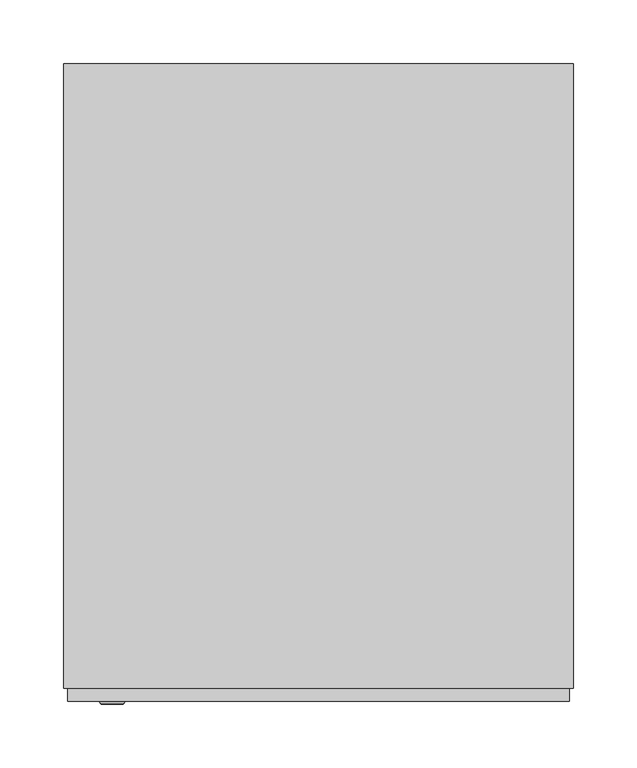
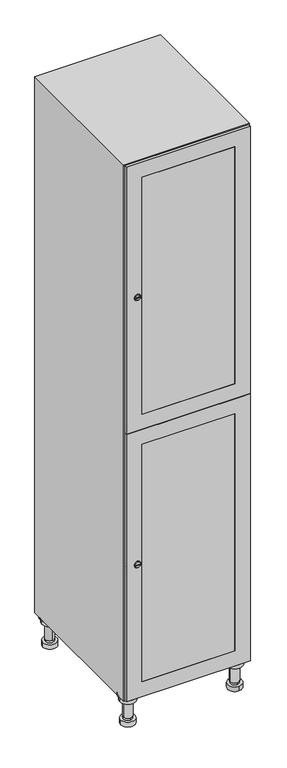
"""IFC4 building model written with IfcOpenShell, lengths in millimetres: furniture geometry."""

import ifcopenshell
import ifcopenshell.guid

model = None  # the IFC model being written
_history = None  # IfcOwnerHistory: only IFC2X3 demands one
_inside = {}  # id of a spatial element -> (the spatial element, [elements in it])
_under = {}  # id of a project, library or spatial element -> (it, [spatial elements below it])
_declared = {}  # id of a project -> (the project, [libraries it declares])
_typed = {}  # id of a type object -> (the type object, [elements of that type])
_made_of = {}  # id of a material, layer set ... -> (it, [elements and type objects made of it])


def new_model(schema):
    """Start an empty IFC model of exactly this schema.

    Asked for "IFC4X3", IfcOpenShell would pick the latest addendum, in which some entities
    have other attributes; the version numbers below select the first issue.
    IFC2X3 requires an IfcOwnerHistory on every rooted entity: one is made here for all.
    """
    global model, _history
    if schema == "IFC4X3":
        model = ifcopenshell.file(schema_version=(4, 3, 0, 0))
    else:
        model = ifcopenshell.file(schema=schema)
    _inside.clear()
    _under.clear()
    _declared.clear()
    _typed.clear()
    _made_of.clear()
    _history = None
    if model.schema == "IFC2X3":
        org = make("IfcOrganization", Name="unknown")
        user = make(
            "IfcPersonAndOrganization",
            ThePerson=make("IfcPerson", FamilyName="unknown"),
            TheOrganization=org,
        )
        app = make(
            "IfcApplication",
            ApplicationDeveloper=org,
            Version="unknown",
            ApplicationFullName="unknown",
            ApplicationIdentifier="unknown",
        )
        _history = make(
            "IfcOwnerHistory",
            OwningUser=user,
            OwningApplication=app,
            ChangeAction="ADDED",
            CreationDate=0,
        )
    return model


def make(cls, **values):
    """One entity of the class cls with the attributes given. An attribute that is None is left unset."""
    return model.create_entity(
        cls, **{name: value for name, value in values.items() if value is not None}
    )


def rooted(cls, **values):
    """An entity with a GlobalId (a new one), such as an element, a storey or a relation."""
    return make(cls, GlobalId=ifcopenshell.guid.new(), OwnerHistory=_history, **values)


def si_unit(unit_type, name, prefix=None):
    """IfcSIUnit, for example si_unit("LENGTHUNIT", "METRE", prefix="MILLI")."""
    return make("IfcSIUnit", UnitType=unit_type, Prefix=prefix, Name=name)


def assignment(units):
    """IfcUnitAssignment: the units of a project."""
    return None if units is None else make("IfcUnitAssignment", Units=units)


def point(xyz):
    """IfcCartesianPoint."""
    return None if xyz is None else make("IfcCartesianPoint", Coordinates=xyz)


def direction(xyz):
    """IfcDirection."""
    return None if xyz is None else make("IfcDirection", DirectionRatios=xyz)


def frame(location, z_axis=None, x_axis=None):
    """IfcAxis2Placement3D, a coordinate frame: its origin and axes. An axis left out is left unset."""
    return make(
        "IfcAxis2Placement3D",
        Location=point(location),
        Axis=direction(z_axis),
        RefDirection=direction(x_axis),
    )


def frame_2d(location, x_axis=None):
    """IfcAxis2Placement2D, a coordinate frame in the plane: its origin and x axis."""
    return make(
        "IfcAxis2Placement2D", Location=point(location), RefDirection=direction(x_axis)
    )


def origin():
    """The frame at (0, 0, 0) with its axes left unset."""
    return frame((0.0, 0.0, 0.0))


def place(relative_to, where):
    """IfcLocalPlacement: puts the frame where relative to a parent placement (None: the world)."""
    return make(
        "IfcLocalPlacement", PlacementRelTo=relative_to, RelativePlacement=where
    )


def context(
    kind, dimensions, precision=None, world=None, true_north=None, identifier=None
):
    """IfcGeometricRepresentationContext, for example the 3D "Model" context."""
    return make(
        "IfcGeometricRepresentationContext",
        ContextIdentifier=identifier,
        ContextType=kind,
        CoordinateSpaceDimension=dimensions,
        Precision=precision,
        WorldCoordinateSystem=world,
        TrueNorth=true_north,
    )


def project(units=None, contexts=None):
    """IfcProject with its units and contexts."""
    return rooted(
        "IfcProject",
        Name="project",
        RepresentationContexts=contexts,
        UnitsInContext=assignment(units),
    )


def spatial(cls, under=None, at=None, **own):
    """A site, building, storey or space (cls), placed at a placement, below another one or the project."""
    s = rooted(cls, ObjectPlacement=at, **own)
    if under is not None:
        _under.setdefault(under.id(), (under, []))[1].append(s)
    return s


def polyline(points):
    """IfcPolyline through the points."""
    return make("IfcPolyline", Points=[point(p) for p in points])


def circle_curve(where, radius):
    """IfcCircle in the frame where."""
    return make("IfcCircle", Position=where, Radius=radius)


def trimmed(basis, trim1, trim2, sense, master):
    """IfcTrimmedCurve: the piece of a basis curve between two trims."""
    return make(
        "IfcTrimmedCurve",
        BasisCurve=basis,
        Trim1=trim1,
        Trim2=trim2,
        SenseAgreement=sense,
        MasterRepresentation=master,
    )


def segment(curve, same_sense, transition):
    """IfcCompositeCurveSegment."""
    return make(
        "IfcCompositeCurveSegment",
        Transition=transition,
        SameSense=same_sense,
        ParentCurve=curve,
    )


def composite_curve(segments, self_intersect=None):
    """IfcCompositeCurve: segments joined end to end."""
    return make("IfcCompositeCurve", Segments=segments, SelfIntersect=self_intersect)


def outline(outer, holes=None, kind="AREA"):
    """IfcArbitraryClosedProfileDef: a profile drawn as a closed curve; with holes, ...WithVoids."""
    if holes is None:
        return make("IfcArbitraryClosedProfileDef", ProfileType=kind, OuterCurve=outer)
    return make(
        "IfcArbitraryProfileDefWithVoids",
        ProfileType=kind,
        OuterCurve=outer,
        InnerCurves=holes,
    )


def extrude(swept, where, along, depth):
    """IfcExtrudedAreaSolid: the profile swept, set in the frame where, extruded along a direction by depth."""
    return make(
        "IfcExtrudedAreaSolid",
        SweptArea=swept,
        Position=where,
        ExtrudedDirection=direction(along),
        Depth=depth,
    )


def faces_of(points, faces, orient=None, outer=None):
    """IfcFace entities. A face is a list of loops; a loop is a list of indices into points, from 0.

    orient and outer hold one flag for each loop. By default every Orientation is true, the
    first loop of a face is its IfcFaceOuterBound and the others are IfcFaceBound.
    """
    made = []
    for i, loops in enumerate(faces):
        bounds = []
        for j, loop in enumerate(loops):
            is_outer = j == 0 if outer is None else outer[i][j]
            bounds.append(
                make(
                    "IfcFaceOuterBound" if is_outer else "IfcFaceBound",
                    Bound=make("IfcPolyLoop", Polygon=[points[k] for k in loop]),
                    Orientation=True if orient is None else orient[i][j],
                )
            )
        made.append(make("IfcFace", Bounds=bounds))
    return made


def faceted_brep(points, faces, orient=None, outer=None, voids=None):
    """IfcFacetedBrep: a solid bounded by flat faces; with voids (closed shells), ...WithVoids."""
    shared = [point(p) for p in points]
    hull = make("IfcClosedShell", CfsFaces=faces_of(shared, faces, orient, outer))
    if voids is None:
        return make("IfcFacetedBrep", Outer=hull)
    return make(
        "IfcFacetedBrepWithVoids",
        Outer=hull,
        Voids=[
            make(cls, CfsFaces=faces_of(shared, fs, o, b)) for cls, fs, o, b in voids
        ],
    )


def shape(context_of_items, identifier, shape_type, items):
    """IfcShapeRepresentation: the items that make up one representation, for example the "Body"."""
    return make(
        "IfcShapeRepresentation",
        ContextOfItems=context_of_items,
        RepresentationIdentifier=identifier,
        RepresentationType=shape_type,
        Items=items,
    )


def source(mapping_origin, context_of_items, identifier, shape_type, items):
    """IfcRepresentationMap: a shape defined once, which mapped items show again and again."""
    return make(
        "IfcRepresentationMap",
        MappingOrigin=mapping_origin,
        MappedRepresentation=shape(context_of_items, identifier, shape_type, items),
    )


def transform(
    local_origin,
    x_axis=None,
    y_axis=None,
    z_axis=None,
    scale=None,
    scale2=None,
    scale3=None,
    uniform=True,
):
    """IfcCartesianTransformationOperator3D, or its non-uniform kind. x_axis, y_axis, z_axis: its Axis1, 2, 3."""
    if uniform:
        return make(
            "IfcCartesianTransformationOperator3D",
            Axis1=direction(x_axis),
            Axis2=direction(y_axis),
            LocalOrigin=point(local_origin),
            Scale=scale,
            Axis3=direction(z_axis),
        )
    return make(
        "IfcCartesianTransformationOperator3DnonUniform",
        Axis1=direction(x_axis),
        Axis2=direction(y_axis),
        LocalOrigin=point(local_origin),
        Scale=scale,
        Axis3=direction(z_axis),
        Scale2=scale2,
        Scale3=scale3,
    )


def mapped(mapping_source, mapping_target):
    """IfcMappedItem: shows the shape of a source again, moved by a transform."""
    return make(
        "IfcMappedItem", MappingSource=mapping_source, MappingTarget=mapping_target
    )


def made_of(thing, what):
    """Note that an element or type object is made of a material, layer set ...; save() writes the relation."""
    if what is not None:
        _made_of.setdefault(what.id(), (what, []))[1].append(thing)
    return thing


def element(
    cls,
    number,
    at=None,
    inside=None,
    cuts=None,
    type_object=None,
    material=None,
    context=None,
    identifier="Body",
    shape_type=None,
    held_by="IfcProductDefinitionShape",
    body=None,
    shapes=None,
    **own,
):
    """One element of the class cls, such as IfcWall. Its Tag is "e" and its number.

    at: its placement. inside: the storey or other place that contains it. cuts: it is an
    opening in that element (IfcRelVoidsElement). A single representation is given by context,
    identifier, shape_type and body (its items); several are given by shapes. held_by: the class
    of the entity that holds the representations. save() writes the other relations.
    """
    e = rooted(cls, Tag="e%d" % number, ObjectPlacement=at, **own)
    if body is not None:
        shapes = [shape(context, identifier, shape_type, body)]
    if shapes is not None:
        e.Representation = make(held_by, Representations=shapes)
    if inside is not None:
        _inside.setdefault(inside.id(), (inside, []))[1].append(e)
    if cuts is not None:
        rooted(
            "IfcRelVoidsElement", RelatingBuildingElement=cuts, RelatedOpeningElement=e
        )
    if type_object is not None:
        _typed.setdefault(type_object.id(), (type_object, []))[1].append(e)
    return made_of(e, material)


def aggregate(whole, parts):
    """IfcRelAggregates: a whole, such as a stair, and the parts it consists of."""
    return rooted("IfcRelAggregates", RelatingObject=whole, RelatedObjects=parts)


def save(model, path):
    """Write the relations noted so far, then the file.

    IfcRelAggregates (storeys below a building ...), IfcRelContainedInSpatialStructure (elements
    in a storey), IfcRelDefinesByType, IfcRelAssociatesMaterial and IfcRelDeclares: one each for
    every whole, place, type object, material and project.
    """
    for whole, parts in _under.values():
        aggregate(whole, parts)
    for where, things in _inside.values():
        rooted(
            "IfcRelContainedInSpatialStructure",
            RelatedElements=things,
            RelatingStructure=where,
        )
    for kind, things in _typed.values():
        rooted("IfcRelDefinesByType", RelatedObjects=things, RelatingType=kind)
    for what, things in _made_of.values():
        rooted("IfcRelAssociatesMaterial", RelatedObjects=things, RelatingMaterial=what)
    for by, libraries in _declared.values():
        rooted("IfcRelDeclares", RelatingContext=by, RelatedDefinitions=libraries)
    model.write(path)


def plane_surface(at):
    """IfcPlane: the flat surface through the origin of the frame at, square to its z axis."""
    return make("IfcPlane", Position=at)


def cylinder_surface(at, radius):
    """IfcCylindricalSurface: all points at the distance radius from the z axis of the frame at."""
    return make("IfcCylindricalSurface", Position=at, Radius=radius)


def revolved_surface(curve, axis_point, axis_direction):
    """IfcSurfaceOfRevolution: the curve turned about the line through axis_point along axis_direction."""
    return make(
        "IfcSurfaceOfRevolution",
        SweptCurve=make("IfcArbitraryOpenProfileDef", ProfileType="CURVE", Curve=curve),
        AxisPosition=make("IfcAxis1Placement", Location=point(axis_point), Axis=direction(axis_direction)),
    )


def advanced_brep(points, edges, surfaces, faces):
    """IfcAdvancedBrep: a solid bounded by faces that lie on surfaces and meet in shared edges.

    An edge is (start, end): straight between two places in points (the first is 0);
    or (start, end, curve); or (start, end, curve, False) where it runs against its curve.
    A face is (place in surfaces, loops), or (place, loops, False) where it looks against
    its surface's normal. A loop lists edges by number (the first is 1), with a minus sign
    where the edge is run from its end to its start. The first loop is the outer one.
    """
    corners = [point(p) for p in points]
    vertices = [make("IfcVertexPoint", VertexGeometry=c) for c in corners]
    made = []
    for start, end, *more in edges:
        made.append(
            make(
                "IfcEdgeCurve",
                EdgeStart=vertices[start],
                EdgeEnd=vertices[end],
                EdgeGeometry=more[0] if more else make("IfcPolyline", Points=[corners[start], corners[end]]),
                SameSense=more[1] if len(more) > 1 else True,
            )
        )
    hull = []
    for where, loops, *sense in faces:
        bounds = []
        for j, loop in enumerate(loops):
            ring = [make("IfcOrientedEdge", EdgeElement=made[abs(k) - 1], Orientation=k > 0) for k in loop]
            bounds.append(
                make(
                    "IfcFaceOuterBound" if j == 0 else "IfcFaceBound",
                    Bound=make("IfcEdgeLoop", EdgeList=ring),
                    Orientation=True,
                )
            )
        hull.append(make("IfcAdvancedFace", Bounds=bounds, FaceSurface=surfaces[where], SameSense=sense[0] if sense else True))
    return make("IfcAdvancedBrep", Outer=make("IfcClosedShell", CfsFaces=hull))


def furniture_165c8200(model_context):
    return source(origin(), model_context, "Body", "SolidModel", [
        advanced_brep(
        [(170.0, -201.0, 22.0), (170.0, -201.5, 16.0), (170.0, -228.5, 16.0), (170.0, -229.0, 22.0), (156.0, -215.0, 22.0), (184.0, -215.0, 22.0), (170.0, -192.5, 16.0), (170.0, -237.5, 16.0), (170.0, -192.5, 0.0), (170.0, -237.5, 0.0), (184.0, -215.0, 78.0), (156.0, -215.0, 78.0), (195.0, -215.0, 78.0), (145.0, -215.0, 78.0), (200.0, -215.0, 94.0), (140.0, -215.0, 94.0), (145.0, -215.0, 94.0), (195.0, -215.0, 94.0), (200.0, -215.0, 100.0), (140.0, -215.0, 100.0)],
        [
            (0, 1),
            (1, 2, circle_curve(frame((170.0, -215.0, 16.0), z_axis=(0.0, 0.0, 1.0), x_axis=(0.0, -1.0, 0.0)), 13.5)),
            (2, 3),
            (3, 4, circle_curve(frame((170.0, -215.0, 22.0), z_axis=(0.0, 0.0, -1.0), x_axis=(0.0, -1.0, 0.0)), 14.0)),
            (4, 0, circle_curve(frame((170.0, -215.0, 22.0), z_axis=(0.0, 0.0, -1.0), x_axis=(0.0, -1.0, 0.0)), 14.0)),
            (0, 5, circle_curve(frame((170.0, -215.0, 22.0), z_axis=(0.0, 0.0, -1.0), x_axis=(0.0, 1.0, 0.0)), 14.0)),
            (5, 3, circle_curve(frame((170.0, -215.0, 22.0), z_axis=(0.0, 0.0, -1.0), x_axis=(0.0, 1.0, 0.0)), 14.0)),
            (2, 1, circle_curve(frame((170.0, -215.0, 16.0), z_axis=(0.0, 0.0, 1.0), x_axis=(0.0, 1.0, 0.0)), 13.5)),
            (6, 7, circle_curve(frame((170.0, -215.0, 16.0), z_axis=(0.0, 0.0, 1.0), x_axis=(0.0, -1.0, 0.0)), 22.5)),
            (7, 6, circle_curve(frame((170.0, -215.0, 16.0), z_axis=(0.0, 0.0, 1.0), x_axis=(0.0, -1.0, 0.0)), 22.5)),
            (8, 9, circle_curve(frame((170.0, -215.0, 0.0), z_axis=(0.0, 0.0, -1.0), x_axis=(0.0, -1.0, 0.0)), 22.5)),
            (9, 8, circle_curve(frame((170.0, -215.0, 0.0), z_axis=(0.0, 0.0, -1.0), x_axis=(0.0, -1.0, 0.0)), 22.5)),
            (6, 8),
            (9, 7),
            (5, 10),
            (10, 11, circle_curve(frame((170.0, -215.0, 78.0), z_axis=(0.0, 0.0, -1.0), x_axis=(-1.0, 0.0, 0.0)), 14.0)),
            (11, 4),
            (11, 10, circle_curve(frame((170.0, -215.0, 78.0), z_axis=(0.0, 0.0, -1.0), x_axis=(-1.0, 0.0, 0.0)), 14.0)),
            (12, 13, circle_curve(frame((170.0, -215.0, 78.0), z_axis=(0.0, 0.0, -1.0), x_axis=(-1.0, 0.0, 0.0)), 25.0)),
            (13, 12, circle_curve(frame((170.0, -215.0, 78.0), z_axis=(0.0, 0.0, -1.0), x_axis=(-1.0, 0.0, 0.0)), 25.0)),
            (14, 15, circle_curve(frame((170.0, -215.0, 94.0), z_axis=(0.0, 0.0, -1.0), x_axis=(-1.0, 0.0, 0.0)), 30.0)),
            (15, 14, circle_curve(frame((170.0, -215.0, 94.0), z_axis=(0.0, 0.0, -1.0), x_axis=(-1.0, 0.0, 0.0)), 30.0)),
            (16, 17, circle_curve(frame((170.0, -215.0, 94.0), z_axis=(0.0, 0.0, 1.0), x_axis=(-1.0, 0.0, 0.0)), 25.0)),
            (17, 16, circle_curve(frame((170.0, -215.0, 94.0), z_axis=(0.0, 0.0, 1.0), x_axis=(-1.0, 0.0, 0.0)), 25.0)),
            (18, 19, circle_curve(frame((170.0, -215.0, 100.0), z_axis=(0.0, 0.0, 1.0), x_axis=(-1.0, 0.0, 0.0)), 30.0)),
            (19, 18, circle_curve(frame((170.0, -215.0, 100.0), z_axis=(0.0, 0.0, 1.0), x_axis=(-1.0, 0.0, 0.0)), 30.0)),
            (14, 18),
            (19, 15),
            (12, 17),
            (16, 13),
        ],
        [
            revolved_surface(polyline([(170.0, -201.5, 16.0), (170.0, -201.0, 22.0)]), (170.0, -215.0, -146.0), (0.0, 0.0, 1.0)),
            plane_surface(frame((170.0, 0.0, 16.0), z_axis=(0.0, 0.0, 1.0), x_axis=(0.0, -1.0, 0.0))),
            plane_surface(frame((170.0, 0.0, 0.0), z_axis=(0.0, 0.0, -1.0), x_axis=(0.0, -1.0, 0.0))),
            cylinder_surface(frame((170.0, -215.0, 16.0), z_axis=(0.0, 0.0, 1.0), x_axis=(0.0, -1.0, 0.0)), 22.5),
            cylinder_surface(frame((170.0, -215.0, 22.0), z_axis=(0.0, 0.0, -1.0), x_axis=(-1.0, 0.0, 0.0)), 14.0),
            plane_surface(frame((170.0, 0.0, 78.0), z_axis=(0.0, 0.0, -1.0), x_axis=(0.0, -1.0, 0.0))),
            plane_surface(frame((170.0, 0.0, 94.0), z_axis=(0.0, 0.0, -1.0), x_axis=(0.0, -1.0, 0.0))),
            plane_surface(frame((170.0, 0.0, 100.0), z_axis=(0.0, 0.0, 1.0), x_axis=(0.0, -1.0, 0.0))),
            cylinder_surface(frame((170.0, -215.0, 94.0), z_axis=(0.0, 0.0, -1.0), x_axis=(-1.0, 0.0, 0.0)), 30.0),
            cylinder_surface(frame((170.0, -215.0, 78.0), z_axis=(0.0, 0.0, -1.0), x_axis=(-1.0, 0.0, 0.0)), 25.0),
        ],
        [
            (0, [[1, 2, 3, 4, 5]]),
            (0, [[-1, 6, 7, -3, 8]]),
            (1, [[9, 10], [-2, -8]]),
            (2, [[11, 12]]),
            (3, [[-9, 13, -12, 14]]),
            (3, [[-10, -14, -11, -13]]),
            (4, [[15, 16, 17, -4, -7]]),
            (4, [[-15, -6, -5, -17, 18]]),
            (5, [[19, 20], [-16, -18]]),
            (6, [[21, 22], [23, 24]]),
            (7, [[25, 26]]),
            (8, [[-21, 27, -26, 28]]),
            (8, [[-22, -28, -25, -27]]),
            (9, [[-19, 29, -23, 30]]),
            (9, [[-20, -30, -24, -29]]),
        ],
    ),
        advanced_brep(
        [(-170.0, -201.0, 22.0), (-170.0, -201.5, 16.0), (-170.0, -228.5, 16.0), (-170.0, -229.0, 22.0), (-184.0, -215.0, 22.0), (-156.0, -215.0, 22.0), (-147.5, -215.0, 0.0), (-192.5, -215.0, 0.0), (-147.5, -215.0, 16.0), (-192.5, -215.0, 16.0), (-156.0, -215.0, 78.0), (-184.0, -215.0, 78.0), (-145.0, -215.0, 78.0), (-195.0, -215.0, 78.0), (-140.0, -215.0, 94.0), (-200.0, -215.0, 94.0), (-195.0, -215.0, 94.0), (-145.0, -215.0, 94.0), (-140.0, -215.0, 100.0), (-200.0, -215.0, 100.0)],
        [
            (0, 1),
            (1, 2, circle_curve(frame((-170.0, -215.0, 16.0), z_axis=(0.0, 0.0, 1.0), x_axis=(0.0, -1.0, 0.0)), 13.5)),
            (2, 3),
            (3, 4, circle_curve(frame((-170.0, -215.0, 22.0), z_axis=(0.0, 0.0, -1.0), x_axis=(0.0, -1.0, 0.0)), 14.0)),
            (4, 0, circle_curve(frame((-170.0, -215.0, 22.0), z_axis=(0.0, 0.0, -1.0), x_axis=(0.0, -1.0, 0.0)), 14.0)),
            (0, 5, circle_curve(frame((-170.0, -215.0, 22.0), z_axis=(0.0, 0.0, -1.0), x_axis=(0.0, 1.0, 0.0)), 14.0)),
            (5, 3, circle_curve(frame((-170.0, -215.0, 22.0), z_axis=(0.0, 0.0, -1.0), x_axis=(0.0, 1.0, 0.0)), 14.0)),
            (2, 1, circle_curve(frame((-170.0, -215.0, 16.0), z_axis=(0.0, 0.0, 1.0), x_axis=(0.0, 1.0, 0.0)), 13.5)),
            (6, 7, circle_curve(frame((-170.0, -215.0, 0.0), z_axis=(0.0, 0.0, -1.0), x_axis=(-1.0, 0.0, 0.0)), 22.5)),
            (7, 6, circle_curve(frame((-170.0, -215.0, 0.0), z_axis=(0.0, 0.0, -1.0), x_axis=(-1.0, 0.0, 0.0)), 22.5)),
            (8, 9, circle_curve(frame((-170.0, -215.0, 16.0), z_axis=(0.0, 0.0, 1.0), x_axis=(-1.0, 0.0, 0.0)), 22.5)),
            (9, 8, circle_curve(frame((-170.0, -215.0, 16.0), z_axis=(0.0, 0.0, 1.0), x_axis=(-1.0, 0.0, 0.0)), 22.5)),
            (6, 8),
            (9, 7),
            (5, 10),
            (10, 11, circle_curve(frame((-170.0, -215.0, 78.0), z_axis=(0.0, 0.0, -1.0), x_axis=(-1.0, 0.0, 0.0)), 14.0)),
            (11, 4),
            (11, 10, circle_curve(frame((-170.0, -215.0, 78.0), z_axis=(0.0, 0.0, -1.0), x_axis=(-1.0, 0.0, 0.0)), 14.0)),
            (12, 13, circle_curve(frame((-170.0, -215.0, 78.0), z_axis=(0.0, 0.0, -1.0), x_axis=(-1.0, 0.0, 0.0)), 25.0)),
            (13, 12, circle_curve(frame((-170.0, -215.0, 78.0), z_axis=(0.0, 0.0, -1.0), x_axis=(-1.0, 0.0, 0.0)), 25.0)),
            (14, 15, circle_curve(frame((-170.0, -215.0, 94.0), z_axis=(0.0, 0.0, -1.0), x_axis=(-1.0, 0.0, 0.0)), 30.0)),
            (15, 14, circle_curve(frame((-170.0, -215.0, 94.0), z_axis=(0.0, 0.0, -1.0), x_axis=(-1.0, 0.0, 0.0)), 30.0)),
            (16, 17, circle_curve(frame((-170.0, -215.0, 94.0), z_axis=(0.0, 0.0, 1.0), x_axis=(-1.0, 0.0, 0.0)), 25.0)),
            (17, 16, circle_curve(frame((-170.0, -215.0, 94.0), z_axis=(0.0, 0.0, 1.0), x_axis=(-1.0, 0.0, 0.0)), 25.0)),
            (18, 19, circle_curve(frame((-170.0, -215.0, 100.0), z_axis=(0.0, 0.0, 1.0), x_axis=(-1.0, 0.0, 0.0)), 30.0)),
            (19, 18, circle_curve(frame((-170.0, -215.0, 100.0), z_axis=(0.0, 0.0, 1.0), x_axis=(-1.0, 0.0, 0.0)), 30.0)),
            (14, 18),
            (19, 15),
            (12, 17),
            (16, 13),
        ],
        [
            revolved_surface(polyline([(-170.0, -201.5, 16.0), (-170.0, -201.0, 22.0)]), (-170.0, -215.0, -146.0), (0.0, 0.0, 1.0)),
            plane_surface(frame((-170.0, 0.0, 0.0), z_axis=(0.0, 0.0, -1.0), x_axis=(0.0, -1.0, 0.0))),
            plane_surface(frame((-170.0, 0.0, 16.0), z_axis=(0.0, 0.0, 1.0), x_axis=(0.0, -1.0, 0.0))),
            cylinder_surface(frame((-170.0, -215.0, 0.0), z_axis=(0.0, 0.0, -1.0), x_axis=(-1.0, 0.0, 0.0)), 22.5),
            cylinder_surface(frame((-170.0, -215.0, 22.0), z_axis=(0.0, 0.0, -1.0), x_axis=(-1.0, 0.0, 0.0)), 14.0),
            plane_surface(frame((-170.0, 0.0, 78.0), z_axis=(0.0, 0.0, -1.0), x_axis=(0.0, -1.0, 0.0))),
            plane_surface(frame((-170.0, 0.0, 94.0), z_axis=(0.0, 0.0, -1.0), x_axis=(0.0, -1.0, 0.0))),
            plane_surface(frame((-170.0, 0.0, 100.0), z_axis=(0.0, 0.0, 1.0), x_axis=(0.0, -1.0, 0.0))),
            cylinder_surface(frame((-170.0, -215.0, 94.0), z_axis=(0.0, 0.0, -1.0), x_axis=(-1.0, 0.0, 0.0)), 30.0),
            cylinder_surface(frame((-170.0, -215.0, 78.0), z_axis=(0.0, 0.0, -1.0), x_axis=(-1.0, 0.0, 0.0)), 25.0),
        ],
        [
            (0, [[1, 2, 3, 4, 5]]),
            (0, [[-1, 6, 7, -3, 8]]),
            (1, [[9, 10]]),
            (2, [[11, 12], [-2, -8]]),
            (3, [[-9, 13, -12, 14]]),
            (3, [[-10, -14, -11, -13]]),
            (4, [[15, 16, 17, -4, -7]]),
            (4, [[-15, -6, -5, -17, 18]]),
            (5, [[19, 20], [-16, -18]]),
            (6, [[21, 22], [23, 24]]),
            (7, [[25, 26]]),
            (8, [[-21, 27, -26, 28]]),
            (8, [[-22, -28, -25, -27]]),
            (9, [[-19, 29, -23, 30]]),
            (9, [[-20, -30, -24, -29]]),
        ],
    ),
        advanced_brep(
        [(183.5, 215.0, 16.0), (184.0, 215.0, 22.0), (156.0, 215.0, 22.0), (156.5, 215.0, 16.0), (192.5, 215.0, 0.0), (147.5, 215.0, 0.0), (192.5, 215.0, 16.0), (147.5, 215.0, 16.0), (184.0, 215.0, 78.0), (156.0, 215.0, 78.0), (195.0, 215.0, 78.0), (145.0, 215.0, 78.0), (200.0, 215.0, 94.0), (140.0, 215.0, 94.0), (145.0, 215.0, 94.0), (195.0, 215.0, 94.0), (200.0, 215.0, 100.0), (140.0, 215.0, 100.0)],
        [
            (0, 1),
            (1, 2, circle_curve(frame((170.0, 215.0, 22.0), z_axis=(0.0, 0.0, -1.0), x_axis=(-1.0, 0.0, 0.0)), 14.0)),
            (2, 3),
            (3, 0, circle_curve(frame((170.0, 215.0, 16.0), z_axis=(0.0, 0.0, 1.0), x_axis=(-1.0, 0.0, 0.0)), 13.5)),
            (0, 3, circle_curve(frame((170.0, 215.0, 16.0), z_axis=(0.0, 0.0, 1.0), x_axis=(1.0, 0.0, 0.0)), 13.5)),
            (2, 1, circle_curve(frame((170.0, 215.0, 22.0), z_axis=(0.0, 0.0, -1.0), x_axis=(1.0, 0.0, 0.0)), 14.0)),
            (4, 5, circle_curve(frame((170.0, 215.0, 0.0), z_axis=(0.0, 0.0, -1.0), x_axis=(-1.0, 0.0, 0.0)), 22.5)),
            (5, 4, circle_curve(frame((170.0, 215.0, 0.0), z_axis=(0.0, 0.0, -1.0), x_axis=(-1.0, 0.0, 0.0)), 22.5)),
            (6, 7, circle_curve(frame((170.0, 215.0, 16.0), z_axis=(0.0, 0.0, 1.0), x_axis=(-1.0, 0.0, 0.0)), 22.5)),
            (7, 6, circle_curve(frame((170.0, 215.0, 16.0), z_axis=(0.0, 0.0, 1.0), x_axis=(-1.0, 0.0, 0.0)), 22.5)),
            (4, 6),
            (7, 5),
            (1, 8),
            (8, 9, circle_curve(frame((170.0, 215.0, 78.0), z_axis=(0.0, 0.0, -1.0), x_axis=(-1.0, 0.0, 0.0)), 14.0)),
            (9, 2),
            (9, 8, circle_curve(frame((170.0, 215.0, 78.0), z_axis=(0.0, 0.0, -1.0), x_axis=(-1.0, 0.0, 0.0)), 14.0)),
            (10, 11, circle_curve(frame((170.0, 215.0, 78.0), z_axis=(0.0, 0.0, -1.0), x_axis=(-1.0, 0.0, 0.0)), 25.0)),
            (11, 10, circle_curve(frame((170.0, 215.0, 78.0), z_axis=(0.0, 0.0, -1.0), x_axis=(-1.0, 0.0, 0.0)), 25.0)),
            (12, 13, circle_curve(frame((170.0, 215.0, 94.0), z_axis=(0.0, 0.0, -1.0), x_axis=(-1.0, 0.0, 0.0)), 30.0)),
            (13, 12, circle_curve(frame((170.0, 215.0, 94.0), z_axis=(0.0, 0.0, -1.0), x_axis=(-1.0, 0.0, 0.0)), 30.0)),
            (14, 15, circle_curve(frame((170.0, 215.0, 94.0), z_axis=(0.0, 0.0, 1.0), x_axis=(-1.0, 0.0, 0.0)), 25.0)),
            (15, 14, circle_curve(frame((170.0, 215.0, 94.0), z_axis=(0.0, 0.0, 1.0), x_axis=(-1.0, 0.0, 0.0)), 25.0)),
            (16, 17, circle_curve(frame((170.0, 215.0, 100.0), z_axis=(0.0, 0.0, 1.0), x_axis=(-1.0, 0.0, 0.0)), 30.0)),
            (17, 16, circle_curve(frame((170.0, 215.0, 100.0), z_axis=(0.0, 0.0, 1.0), x_axis=(-1.0, 0.0, 0.0)), 30.0)),
            (12, 16),
            (17, 13),
            (10, 15),
            (14, 11),
        ],
        [
            revolved_surface(polyline([(183.5, 215.0, 16.0), (184.0, 215.0, 22.0)]), (170.0, 215.0, -146.0), (0.0, 0.0, 1.0)),
            plane_surface(frame((170.0, 0.0, 0.0), z_axis=(0.0, 0.0, -1.0), x_axis=(0.0, -1.0, 0.0))),
            plane_surface(frame((170.0, 0.0, 16.0), z_axis=(0.0, 0.0, 1.0), x_axis=(0.0, -1.0, 0.0))),
            cylinder_surface(frame((170.0, 215.0, 0.0), z_axis=(0.0, 0.0, -1.0), x_axis=(-1.0, 0.0, 0.0)), 22.5),
            cylinder_surface(frame((170.0, 215.0, 22.0), z_axis=(0.0, 0.0, -1.0), x_axis=(-1.0, 0.0, 0.0)), 14.0),
            plane_surface(frame((170.0, 0.0, 78.0), z_axis=(0.0, 0.0, -1.0), x_axis=(0.0, -1.0, 0.0))),
            plane_surface(frame((170.0, 0.0, 94.0), z_axis=(0.0, 0.0, -1.0), x_axis=(0.0, -1.0, 0.0))),
            plane_surface(frame((170.0, 0.0, 100.0), z_axis=(0.0, 0.0, 1.0), x_axis=(0.0, -1.0, 0.0))),
            cylinder_surface(frame((170.0, 215.0, 94.0), z_axis=(0.0, 0.0, -1.0), x_axis=(-1.0, 0.0, 0.0)), 30.0),
            cylinder_surface(frame((170.0, 215.0, 78.0), z_axis=(0.0, 0.0, -1.0), x_axis=(-1.0, 0.0, 0.0)), 25.0),
        ],
        [
            (0, [[1, 2, 3, 4]]),
            (0, [[-1, 5, -3, 6]]),
            (1, [[7, 8]]),
            (2, [[9, 10], [-4, -5]]),
            (3, [[-7, 11, -10, 12]]),
            (3, [[-8, -12, -9, -11]]),
            (4, [[13, 14, 15, -2]]),
            (4, [[-13, -6, -15, 16]]),
            (5, [[17, 18], [-14, -16]]),
            (6, [[19, 20], [21, 22]]),
            (7, [[23, 24]]),
            (8, [[-19, 25, -24, 26]]),
            (8, [[-20, -26, -23, -25]]),
            (9, [[-17, 27, -21, 28]]),
            (9, [[-18, -28, -22, -27]]),
        ],
    ),
        advanced_brep(
        [(-156.5, 215.0, 16.0), (-156.0, 215.0, 22.0), (-170.0, 201.0, 22.0), (-184.0, 215.0, 22.0), (-183.5, 215.0, 16.0), (-170.0, 229.0, 22.0), (-147.5, 215.0, 0.0), (-192.5, 215.0, 0.0), (-147.5, 215.0, 16.0), (-192.5, 215.0, 16.0), (-170.0, 229.0, 78.0), (-170.0, 201.0, 78.0), (-145.0, 215.0, 78.0), (-195.0, 215.0, 78.0), (-140.0, 215.0, 94.0), (-200.0, 215.0, 94.0), (-195.0, 215.0, 94.0), (-145.0, 215.0, 94.0), (-140.0, 215.0, 100.0), (-200.0, 215.0, 100.0)],
        [
            (0, 1),
            (1, 2, circle_curve(frame((-170.0, 215.0, 22.0), z_axis=(0.0, 0.0, -1.0), x_axis=(-1.0, 0.0, 0.0)), 14.0)),
            (2, 3, circle_curve(frame((-170.0, 215.0, 22.0), z_axis=(0.0, 0.0, -1.0), x_axis=(-1.0, 0.0, 0.0)), 14.0)),
            (3, 4),
            (4, 0, circle_curve(frame((-170.0, 215.0, 16.0), z_axis=(0.0, 0.0, 1.0), x_axis=(-1.0, 0.0, 0.0)), 13.5)),
            (0, 4, circle_curve(frame((-170.0, 215.0, 16.0), z_axis=(0.0, 0.0, 1.0), x_axis=(1.0, 0.0, 0.0)), 13.5)),
            (3, 5, circle_curve(frame((-170.0, 215.0, 22.0), z_axis=(0.0, 0.0, -1.0), x_axis=(1.0, 0.0, 0.0)), 14.0)),
            (5, 1, circle_curve(frame((-170.0, 215.0, 22.0), z_axis=(0.0, 0.0, -1.0), x_axis=(1.0, 0.0, 0.0)), 14.0)),
            (6, 7, circle_curve(frame((-170.0, 215.0, 0.0), z_axis=(0.0, 0.0, -1.0), x_axis=(-1.0, 0.0, 0.0)), 22.5)),
            (7, 6, circle_curve(frame((-170.0, 215.0, 0.0), z_axis=(0.0, 0.0, -1.0), x_axis=(-1.0, 0.0, 0.0)), 22.5)),
            (8, 9, circle_curve(frame((-170.0, 215.0, 16.0), z_axis=(0.0, 0.0, 1.0), x_axis=(-1.0, 0.0, 0.0)), 22.5)),
            (9, 8, circle_curve(frame((-170.0, 215.0, 16.0), z_axis=(0.0, 0.0, 1.0), x_axis=(-1.0, 0.0, 0.0)), 22.5)),
            (6, 8),
            (9, 7),
            (10, 5),
            (2, 11),
            (11, 10, circle_curve(frame((-170.0, 215.0, 78.0), z_axis=(0.0, 0.0, -1.0), x_axis=(0.0, -1.0, 0.0)), 14.0)),
            (10, 11, circle_curve(frame((-170.0, 215.0, 78.0), z_axis=(0.0, 0.0, -1.0), x_axis=(0.0, -1.0, 0.0)), 14.0)),
            (12, 13, circle_curve(frame((-170.0, 215.0, 78.0), z_axis=(0.0, 0.0, -1.0), x_axis=(-1.0, 0.0, 0.0)), 25.0)),
            (13, 12, circle_curve(frame((-170.0, 215.0, 78.0), z_axis=(0.0, 0.0, -1.0), x_axis=(-1.0, 0.0, 0.0)), 25.0)),
            (14, 15, circle_curve(frame((-170.0, 215.0, 94.0), z_axis=(0.0, 0.0, -1.0), x_axis=(-1.0, 0.0, 0.0)), 30.0)),
            (15, 14, circle_curve(frame((-170.0, 215.0, 94.0), z_axis=(0.0, 0.0, -1.0), x_axis=(-1.0, 0.0, 0.0)), 30.0)),
            (16, 17, circle_curve(frame((-170.0, 215.0, 94.0), z_axis=(0.0, 0.0, 1.0), x_axis=(-1.0, 0.0, 0.0)), 25.0)),
            (17, 16, circle_curve(frame((-170.0, 215.0, 94.0), z_axis=(0.0, 0.0, 1.0), x_axis=(-1.0, 0.0, 0.0)), 25.0)),
            (18, 19, circle_curve(frame((-170.0, 215.0, 100.0), z_axis=(0.0, 0.0, 1.0), x_axis=(-1.0, 0.0, 0.0)), 30.0)),
            (19, 18, circle_curve(frame((-170.0, 215.0, 100.0), z_axis=(0.0, 0.0, 1.0), x_axis=(-1.0, 0.0, 0.0)), 30.0)),
            (14, 18),
            (19, 15),
            (12, 17),
            (16, 13),
        ],
        [
            revolved_surface(polyline([(-156.5, 215.0, 16.0), (-156.0, 215.0, 22.0)]), (-170.0, 215.0, -146.0), (0.0, 0.0, 1.0)),
            plane_surface(frame((-170.0, 0.0, 0.0), z_axis=(0.0, 0.0, -1.0), x_axis=(0.0, -1.0, 0.0))),
            plane_surface(frame((-170.0, 0.0, 16.0), z_axis=(0.0, 0.0, 1.0), x_axis=(0.0, -1.0, 0.0))),
            cylinder_surface(frame((-170.0, 215.0, 0.0), z_axis=(0.0, 0.0, -1.0), x_axis=(-1.0, 0.0, 0.0)), 22.5),
            cylinder_surface(frame((-170.0, 215.0, 78.0), z_axis=(0.0, 0.0, 1.0), x_axis=(0.0, -1.0, 0.0)), 14.0),
            plane_surface(frame((-170.0, 0.0, 78.0), z_axis=(0.0, 0.0, -1.0), x_axis=(0.0, -1.0, 0.0))),
            plane_surface(frame((-170.0, 0.0, 94.0), z_axis=(0.0, 0.0, -1.0), x_axis=(0.0, -1.0, 0.0))),
            plane_surface(frame((-170.0, 0.0, 100.0), z_axis=(0.0, 0.0, 1.0), x_axis=(0.0, -1.0, 0.0))),
            cylinder_surface(frame((-170.0, 215.0, 94.0), z_axis=(0.0, 0.0, -1.0), x_axis=(-1.0, 0.0, 0.0)), 30.0),
            cylinder_surface(frame((-170.0, 215.0, 78.0), z_axis=(0.0, 0.0, -1.0), x_axis=(-1.0, 0.0, 0.0)), 25.0),
        ],
        [
            (0, [[1, 2, 3, 4, 5]]),
            (0, [[-1, 6, -4, 7, 8]]),
            (1, [[9, 10]]),
            (2, [[11, 12], [-5, -6]]),
            (3, [[-9, 13, -12, 14]]),
            (3, [[-10, -14, -11, -13]]),
            (4, [[15, -7, -3, 16, 17]]),
            (4, [[-15, 18, -16, -2, -8]]),
            (5, [[19, 20], [-17, -18]]),
            (6, [[21, 22], [23, 24]]),
            (7, [[25, 26]]),
            (8, [[-21, 27, -26, 28]]),
            (8, [[-22, -28, -25, -27]]),
            (9, [[-19, 29, -23, 30]]),
            (9, [[-20, -30, -24, -29]]),
        ],
    ),
        extrude(outline(composite_curve([segment(trimmed(circle_curve(frame_2d((1448.5, -188.7989466)), 7.0), [point((1455.5, -188.7989466))], [point((1441.5, -188.7989466))], False, "CARTESIAN"), True, "CONTINUOUS"), segment(polyline([(1441.5, -188.7989466), (1441.5, -160.7989466)]), True, "CONTINUOUS"), segment(trimmed(circle_curve(frame_2d((1448.5, -160.7989466)), 7.0), [point((1441.5, -160.7989466))], [point((1455.5, -160.7989466))], False, "CARTESIAN"), True, "CONTINUOUS"), segment(polyline([(1455.5, -160.7989466), (1455.5, -188.7989466)]), True, "CONTINUOUS")], self_intersect=False)), frame((0.0, -245.0, 0.0), z_axis=(0.0, 1.0, 0.0), x_axis=(0.0, 0.0, 1.0)), (0.0, 0.0, 1.0), 2.0),
        advanced_brep(
        [(-153.5, -257.2, 1448.5), (-170.5, -257.2, 1448.5), (-167.0, -257.2, 1447.25), (-167.0, -257.2, 1449.75), (-157.0, -257.2, 1449.75), (-157.0, -257.2, 1447.25), (-151.5, -255.0, 1448.5), (-172.5, -255.0, 1448.5), (-167.0, -255.0, 1449.75), (-167.0, -255.0, 1447.25), (-157.0, -255.0, 1447.25), (-157.0, -255.0, 1449.75)],
        [
            (0, 1, circle_curve(frame((-162.0, -257.2, 1448.5), z_axis=(0.0, -1.0, 0.0), x_axis=(1.0, 0.0, 0.0)), 8.5)),
            (1, 0, circle_curve(frame((-162.0, -257.2, 1448.5), z_axis=(0.0, -1.0, 0.0), x_axis=(-1.0, 0.0, 0.0)), 8.5)),
            (2, 3),
            (3, 4),
            (4, 5),
            (5, 2),
            (6, 7, circle_curve(frame((-162.0, -255.0, 1448.5), z_axis=(0.0, 1.0, 0.0), x_axis=(-1.0, 0.0, 0.0)), 10.5)),
            (7, 6, circle_curve(frame((-162.0, -255.0, 1448.5), z_axis=(0.0, 1.0, 0.0), x_axis=(1.0, 0.0, 0.0)), 10.5)),
            (8, 9),
            (9, 10),
            (10, 11),
            (11, 8),
            (0, 6),
            (7, 1),
            (8, 3),
            (2, 9),
            (11, 4),
            (10, 5),
        ],
        [
            plane_surface(frame((-162.0, -257.2, 1448.5), z_axis=(0.0, -1.0, 0.0), x_axis=(0.0, 0.0, 1.0))),
            plane_surface(frame((-162.0, -255.0, 1448.5), z_axis=(0.0, 1.0, 0.0), x_axis=(0.0, 0.0, 1.0))),
            revolved_surface(polyline([(-153.5, -257.2, 1448.5), (-151.5, -255.0, 1448.5)]), (-162.0, -266.55, 1448.5), (0.0, 1.0, 0.0)),
            revolved_surface(polyline([(-170.5, -257.2, 1448.5), (-172.5, -255.0, 1448.5)]), (-162.0, -266.55, 1448.5), (0.0, 1.0, 0.0)),
            plane_surface(frame((-167.0, -255.0, 1447.25), z_axis=(1.0, 0.0, 0.0), x_axis=(0.0, -1.0, 0.0))),
            plane_surface(frame((-167.0, -255.0, 1449.75), z_axis=(0.0, 0.0, -1.0), x_axis=(0.0, -1.0, 0.0))),
            plane_surface(frame((-157.0, -255.0, 1449.75), z_axis=(-1.0, 0.0, 0.0), x_axis=(0.0, -1.0, 0.0))),
            plane_surface(frame((-157.0, -255.0, 1447.25), z_axis=(0.0, 0.0, 1.0), x_axis=(0.0, -1.0, 0.0))),
        ],
        [
            (0, [[1, 2], [3, 4, 5, 6]]),
            (1, [[7, 8], [9, 10, 11, 12]]),
            (2, [[-1, 13, -8, 14]]),
            (3, [[-2, -14, -7, -13]]),
            (4, [[15, -3, 16, -9]]),
            (5, [[-15, -12, 17, -4]]),
            (6, [[-17, -11, 18, -5]]),
            (7, [[-16, -6, -18, -10]]),
        ],
    ),
        extrude(outline(composite_curve([segment(trimmed(circle_curve(frame_2d((551.5, -188.7989466)), 7.0), [point((558.5, -188.7989466))], [point((544.5, -188.7989466))], False, "CARTESIAN"), True, "CONTINUOUS"), segment(polyline([(544.5, -188.7989466), (544.5, -160.7989466)]), True, "CONTINUOUS"), segment(trimmed(circle_curve(frame_2d((551.5, -160.7989466)), 7.0), [point((544.5, -160.7989466))], [point((558.5, -160.7989466))], False, "CARTESIAN"), True, "CONTINUOUS"), segment(polyline([(558.5, -160.7989466), (558.5, -188.7989466)]), True, "CONTINUOUS")], self_intersect=False)), frame((0.0, -245.0, 0.0), z_axis=(0.0, 1.0, 0.0), x_axis=(0.0, 0.0, 1.0)), (0.0, 0.0, 1.0), 2.0),
        advanced_brep(
        [(-153.5, -257.2, 551.5), (-170.5, -257.2, 551.5), (-167.0, -257.2, 550.25), (-167.0, -257.2, 552.75), (-157.0, -257.2, 552.75), (-157.0, -257.2, 550.25), (-151.5, -255.0, 551.5), (-172.5, -255.0, 551.5), (-167.0, -255.0, 552.75), (-167.0, -255.0, 550.25), (-157.0, -255.0, 550.25), (-157.0, -255.0, 552.75)],
        [
            (0, 1, circle_curve(frame((-162.0, -257.2, 551.5), z_axis=(0.0, -1.0, 0.0), x_axis=(1.0, 0.0, 0.0)), 8.5)),
            (1, 0, circle_curve(frame((-162.0, -257.2, 551.5), z_axis=(0.0, -1.0, 0.0), x_axis=(-1.0, 0.0, 0.0)), 8.5)),
            (2, 3),
            (3, 4),
            (4, 5),
            (5, 2),
            (6, 7, circle_curve(frame((-162.0, -255.0, 551.5), z_axis=(0.0, 1.0, 0.0), x_axis=(-1.0, 0.0, 0.0)), 10.5)),
            (7, 6, circle_curve(frame((-162.0, -255.0, 551.5), z_axis=(0.0, 1.0, 0.0), x_axis=(1.0, 0.0, 0.0)), 10.5)),
            (8, 9),
            (9, 10),
            (10, 11),
            (11, 8),
            (0, 6),
            (7, 1),
            (8, 3),
            (2, 9),
            (11, 4),
            (10, 5),
        ],
        [
            plane_surface(frame((-162.0, -257.2, 551.5), z_axis=(0.0, -1.0, 0.0), x_axis=(0.0, 0.0, 1.0))),
            plane_surface(frame((-162.0, -255.0, 551.5), z_axis=(0.0, 1.0, 0.0), x_axis=(0.0, 0.0, 1.0))),
            revolved_surface(polyline([(-153.5, -257.2, 551.5), (-151.5, -255.0, 551.5)]), (-162.0, -266.55, 551.5), (0.0, 1.0, 0.0)),
            revolved_surface(polyline([(-170.5, -257.2, 551.5), (-172.5, -255.0, 551.5)]), (-162.0, -266.55, 551.5), (0.0, 1.0, 0.0)),
            plane_surface(frame((-167.0, -255.0, 550.25), z_axis=(1.0, 0.0, 0.0), x_axis=(0.0, -1.0, 0.0))),
            plane_surface(frame((-167.0, -255.0, 552.75), z_axis=(0.0, 0.0, -1.0), x_axis=(0.0, -1.0, 0.0))),
            plane_surface(frame((-157.0, -255.0, 552.75), z_axis=(-1.0, 0.0, 0.0), x_axis=(0.0, -1.0, 0.0))),
            plane_surface(frame((-157.0, -255.0, 550.25), z_axis=(0.0, 0.0, 1.0), x_axis=(0.0, -1.0, 0.0))),
        ],
        [
            (0, [[1, 2], [3, 4, 5, 6]]),
            (1, [[7, 8], [9, 10, 11, 12]]),
            (2, [[-1, 13, -8, 14]]),
            (3, [[-2, -14, -7, -13]]),
            (4, [[15, -3, 16, -9]]),
            (5, [[-15, -12, 17, -4]]),
            (6, [[-17, -11, 18, -5]]),
            (7, [[-16, -6, -18, -10]]),
        ],
    ),
        extrude(outline(polyline([(1000.5, 197.0), (1897.0, 197.0), (1897.0, -197.0), (1000.5, -197.0), (1000.5, 197.0)]), holes=[polyline([(1847.0, -147.0), (1847.0, 147.0), (1050.5, 147.0), (1050.5, -147.0), (1847.0, -147.0)])]), frame((0.0, -255.0, 0.0), z_axis=(0.0, 1.0, 0.0), x_axis=(0.0, 0.0, 1.0)), (0.0, 0.0, 1.0), 10.0),
        extrude(outline(polyline([(999.5, -197.0), (103.0, -197.0), (103.0, 197.0), (999.5, 197.0), (999.5, -197.0)]), holes=[polyline([(153.0, -147.0), (949.5, -147.0), (949.5, 147.0), (153.0, 147.0), (153.0, -147.0)])]), frame((0.0, -255.0, 0.0), z_axis=(0.0, 1.0, 0.0), x_axis=(0.0, 0.0, 1.0)), (0.0, 0.0, 1.0), 10.0),
        extrude(outline(polyline([(147.0, -255.0), (-147.0, -255.0), (-147.0, -245.0), (147.0, -245.0), (147.0, -255.0)])), frame((0.0, 0.0, 1050.5), z_axis=(0.0, 0.0, 1.0), x_axis=(1.0, 0.0, 0.0)), (0.0, 0.0, 1.0), 796.5),
        extrude(outline(polyline([(147.0, -255.0), (-147.0, -255.0), (-147.0, -245.0), (147.0, -245.0), (147.0, -255.0)])), frame((0.0, 0.0, 153.0), z_axis=(0.0, 0.0, 1.0), x_axis=(1.0, 0.0, 0.0)), (0.0, 0.0, 1.0), 796.5),
        extrude(outline(polyline([(190.0, 241.0), (190.0, -235.0), (-190.0, -235.0), (-190.0, 241.0), (190.0, 241.0)])), frame((0.0, 0.0, 995.0), z_axis=(0.0, 0.0, 1.0), x_axis=(1.0, 0.0, 0.0)), (0.0, 0.0, 1.0), 10.0),
        faceted_brep([(200.0, -245.0, 100.0), (200.0, -245.0, 1900.0), (-200.0, -245.0, 1900.0), (-200.0, -245.0, 100.0), (190.0, -245.0, 1890.0), (190.0, -245.0, 110.0), (-190.0, -245.0, 110.0), (-190.0, -245.0, 1890.0), (200.0, 245.0, 100.0), (-200.0, 245.0, 100.0), (200.0, 245.0, 1900.0), (-200.0, 245.0, 1900.0), (190.0, 241.0, 1890.0), (190.0, 241.0, 110.0), (-200.0, 245.0, 1890.0), (-190.0, 241.0, 1890.0), (-190.0, 241.0, 110.0)], [[[0, 1, 2, 3], [4, 5, 6, 7]], [[8, 0, 3, 9]], [[1, 0, 8, 10]], [[1, 10, 11, 2]], [[4, 12, 13, 5]], [[9, 3, 2, 11, 14]], [[10, 8, 9, 14, 11]], [[12, 15, 16, 13]], [[15, 7, 6, 16]], [[4, 7, 15, 12]], [[6, 5, 13, 16]]]),
    ])


if __name__ == "__main__":
    model = new_model("IFC4")
    model_context = context("Model", 3, world=origin())
    ifc_project = project(units=[si_unit("LENGTHUNIT", "METRE", prefix="MILLI")], contexts=[model_context])
    site = spatial("IfcSite", under=ifc_project)
    building = spatial("IfcBuilding", under=site)
    placement = place(None, origin())
    furniture_shape = furniture_165c8200(model_context)
    element("IfcFurniture", 1, at=placement, inside=building, context=model_context, shape_type="MappedRepresentation", body=[
        mapped(furniture_shape, transform((0.0, 0.0, 0.0), x_axis=(1.0, 0.0, 0.0), y_axis=(0.0, 1.0, 0.0), z_axis=(0.0, 0.0, 1.0))),
    ])
    save(model, "model.ifc")
